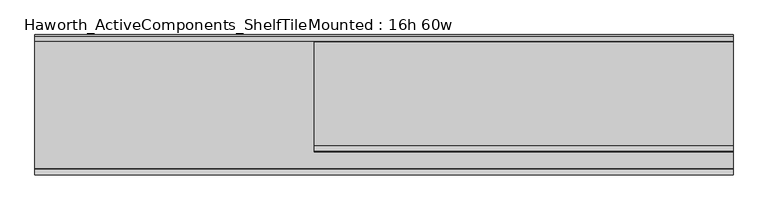
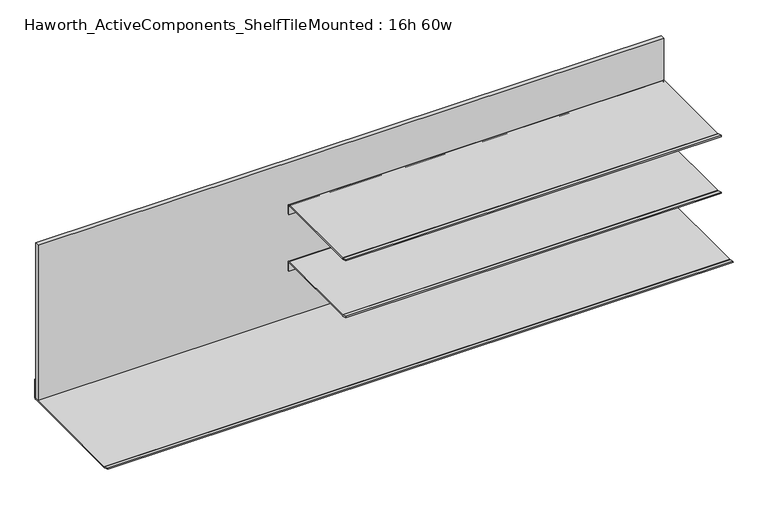
"""IFC4 building model written with IfcOpenShell, lengths in millimetres: furniture geometry, Haworth_ActiveComponents_ShelfTileMounted : 16h 60w."""

from ifc_helpers import new_model, si_unit, point, frame, frame_2d, origin, place, context, project, spatial, polyline, circle_curve, trimmed, segment, composite_curve, outline, extrude, source, transform, mapped, element, save


def haworth_activecomponents_shelftilemounted_16h_60w_0708b248(model_context):
    return source(origin(), model_context, "Body", "SweptSolid", [
        extrude(outline(composite_curve([segment(polyline([(-1314.0921863, 734.7747869), (-1313.4018975, 737.3509066), (-1301.2394379, 734.0919868)]), True, "CONTINUOUS"), segment(trimmed(circle_curve(frame_2d((-1300.4176878, 737.1588014)), 3.175), [point((-1301.2394379, 734.0919868))], [point((-1300.4176878, 733.9838014))], True, "CARTESIAN"), True, "CONTINUOUS"), segment(polyline([(-1300.4176878, 733.9838014), (-1074.325211, 733.9838014)]), True, "CONTINUOUS"), segment(trimmed(circle_curve(frame_2d((-1074.325211, 730.9985118)), 2.9852896), [point((-1074.325211, 733.9838014))], [point((-1071.3399214, 730.9985118))], False, "CARTESIAN"), True, "CONTINUOUS"), segment(polyline([(-1071.3399214, 730.9985118), (-1071.3399214, 708.5837984), (-1074.2058961, 708.5837984), (-1074.2058961, 730.3073917)]), True, "CONTINUOUS"), segment(trimmed(circle_curve(frame_2d((-1075.2153083, 730.3073917)), 1.0094122), [point((-1074.2058961, 730.3073917))], [point((-1075.2153083, 731.316804))], True, "CARTESIAN"), True, "CONTINUOUS"), segment(polyline([(-1075.2153083, 731.316804), (-1300.768816, 731.316804)]), True, "CONTINUOUS"), segment(trimmed(circle_curve(frame_2d((-1300.768816, 734.491804)), 3.175), [point((-1300.768816, 731.316804))], [point((-1301.5905661, 731.4249894))], False, "CARTESIAN"), True, "CONTINUOUS"), segment(polyline([(-1301.5905661, 731.4249894), (-1314.0921863, 734.7747869)]), True, "CONTINUOUS")], self_intersect=False)), frame((-1803.346931, 0.0, 0.0), z_axis=(1.0, 0.0, 0.0), x_axis=(0.0, 1.0, 0.0)), (0.0, 0.0, 1.0), 914.4),
        extrude(outline(composite_curve([segment(polyline([(-1314.0921863, 881.0787943), (-1313.4018975, 883.654914), (-1301.2394379, 880.3959943)]), True, "CONTINUOUS"), segment(trimmed(circle_curve(frame_2d((-1300.4176878, 883.4628089)), 3.175), [point((-1301.2394379, 880.3959943))], [point((-1300.4176878, 880.2878089))], True, "CARTESIAN"), True, "CONTINUOUS"), segment(polyline([(-1300.4176878, 880.2878089), (-1074.325211, 880.2878089)]), True, "CONTINUOUS"), segment(trimmed(circle_curve(frame_2d((-1074.325211, 877.3025192)), 2.9852896), [point((-1074.325211, 880.2878089))], [point((-1071.3399214, 877.3025192))], False, "CARTESIAN"), True, "CONTINUOUS"), segment(polyline([(-1071.3399214, 877.3025192), (-1071.3399214, 854.8878058), (-1074.2058961, 854.8878058), (-1074.2058961, 876.6113992)]), True, "CONTINUOUS"), segment(trimmed(circle_curve(frame_2d((-1075.2153083, 876.6113992)), 1.0094122), [point((-1074.2058961, 876.6113992))], [point((-1075.2153083, 877.6208114))], True, "CARTESIAN"), True, "CONTINUOUS"), segment(polyline([(-1075.2153083, 877.6208114), (-1300.768816, 877.6208114)]), True, "CONTINUOUS"), segment(trimmed(circle_curve(frame_2d((-1300.768816, 880.7958114)), 3.175), [point((-1300.768816, 877.6208114))], [point((-1301.5905661, 877.7289968))], False, "CARTESIAN"), True, "CONTINUOUS"), segment(polyline([(-1301.5905661, 877.7289968), (-1314.0921863, 881.0787943)]), True, "CONTINUOUS")], self_intersect=False)), frame((-1803.346931, 0.0, 0.0), z_axis=(1.0, 0.0, 0.0), x_axis=(0.0, 1.0, 0.0)), (0.0, 0.0, 1.0), 914.4),
        extrude(outline(polyline([(-2412.946931, -1071.3399214), (-2412.946931, -1061.814921), (-888.946931, -1061.814921), (-888.946931, -1071.3399214), (-2412.946931, -1071.3399214)])), frame((0.0, 0.0, 588.8989999), z_axis=(0.0, 0.0, 1.0), x_axis=(1.0, 0.0, 0.0)), (0.0, 0.0, 1.0), 398.6529995),
        extrude(outline(composite_curve([segment(polyline([(-1061.0529213, 584.2), (-1351.0608317, 584.2)]), True, "CONTINUOUS"), segment(trimmed(circle_curve(frame_2d((-1351.0608317, 587.375)), 3.175), [point((-1351.0608317, 584.2))], [point((-1351.8825846, 584.3081862))], False, "CARTESIAN"), True, "CONTINUOUS"), segment(polyline([(-1351.8825846, 584.3081862), (-1364.3841902, 587.6579801), (-1363.6939146, 590.2341249), (-1351.7011481, 587.020674)]), True, "CONTINUOUS"), segment(trimmed(circle_curve(frame_2d((-1350.8794014, 590.0874913)), 3.1750017), [point((-1351.7011481, 587.020674))], [point((-1350.8794014, 586.9124896))], True, "CARTESIAN"), True, "CONTINUOUS"), segment(polyline([(-1350.8794014, 586.9124896), (-1061.5371086, 586.9124896)]), True, "CONTINUOUS"), segment(trimmed(circle_curve(frame_2d((-1061.5371086, 587.9046771)), 0.9921875), [point((-1061.5371086, 586.9124896))], [point((-1060.5449211, 587.9046771))], True, "CARTESIAN"), True, "CONTINUOUS"), segment(polyline([(-1060.5449211, 587.9046771), (-1060.5449211, 634.6189999), (-1057.8779213, 634.6189999), (-1057.8779213, 587.375)]), True, "CONTINUOUS"), segment(trimmed(circle_curve(frame_2d((-1061.0529213, 587.375)), 3.175), [point((-1057.8779213, 587.375))], [point((-1061.0529213, 584.2))], False, "CARTESIAN"), True, "CONTINUOUS")], self_intersect=False)), frame((-2412.946931, 0.0, 0.0), z_axis=(1.0, 0.0, 0.0), x_axis=(0.0, 1.0, 0.0)), (0.0, 0.0, 1.0), 1524.0),
    ])


if __name__ == "__main__":
    model = new_model("IFC4")
    model_context = context("Model", 3, world=origin())
    ifc_project = project(units=[si_unit("LENGTHUNIT", "METRE", prefix="MILLI")], contexts=[model_context])
    site = spatial("IfcSite", under=ifc_project)
    building = spatial("IfcBuilding", under=site)
    placement = place(None, origin())
    haworth_activecomponents_shelftilemounted_16h_60w_shape = haworth_activecomponents_shelftilemounted_16h_60w_0708b248(model_context)
    element("IfcFurniture", 1, ObjectType="Haworth_ActiveComponents_ShelfTileMounted : 16h 60w", at=placement, inside=building, context=model_context, shape_type="MappedRepresentation", body=[
        mapped(haworth_activecomponents_shelftilemounted_16h_60w_shape, transform((0.0, 0.0, 0.0), x_axis=(1.0, 0.0, 0.0), y_axis=(0.0, 1.0, 0.0), z_axis=(0.0, 0.0, 1.0))),
    ])
    save(model, "model.ifc")
